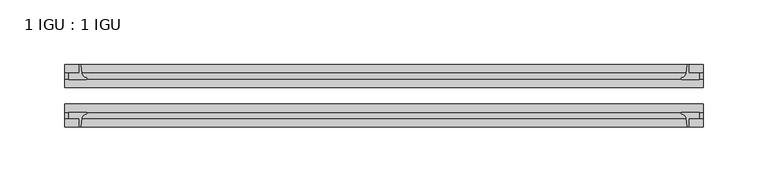
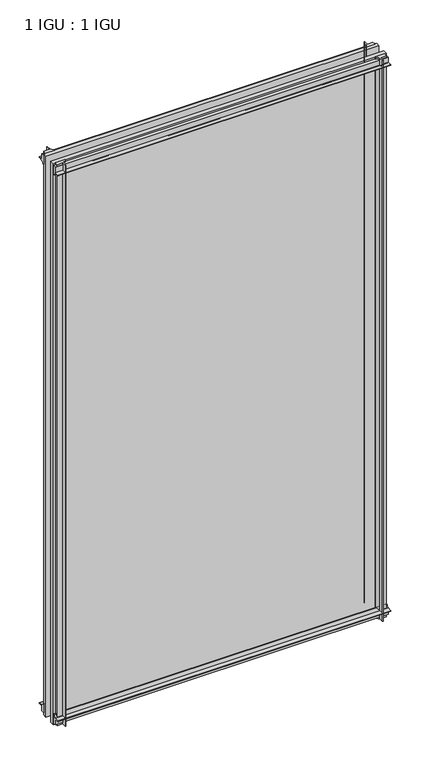
"""IFC4 building model written with IfcOpenShell, lengths in millimetres: plate geometry, 1 IGU : 1 IGU."""

from ifc_helpers import new_model, si_unit, point, frame, frame_2d, origin, place, context, project, spatial, polyline, circle_curve, trimmed, segment, composite_curve, outline, extrude, source, transform, mapped, element, save


def plate_1_igu_1_igu_194ef38a(model_context):
    return source(origin(), model_context, "Body", "SweptSolid", [
        extrude(outline(composite_curve([segment(polyline([(-42.3267187, -8.2068385), (-47.0892187, -8.2068385), (-47.0892187, 0.0), (-53.563779, 0.0)]), True, "CONTINUOUS"), segment(trimmed(circle_curve(frame_2d((-53.0328134, 0.3482823)), 0.635), [point((-53.563779, 0.0))], [point((-53.0575397, 0.9828007))], False, "CARTESIAN"), True, "CONTINUOUS"), segment(trimmed(circle_curve(frame_2d((-54.2310045, 31.0958559)), 30.1359106), [point((-53.0575397, 0.9828007))], [point((-47.0834032, 1.8198434))], True, "CARTESIAN"), True, "CONTINUOUS"), segment(trimmed(circle_curve(frame_2d((-48.2159797, 6.4587878)), 4.7752), [point((-47.0834032, 1.8198434))], [point((-43.578416, 5.3205707))], True, "CARTESIAN"), True, "CONTINUOUS"), segment(trimmed(circle_curve(frame_2d((-42.9617187, 5.169212)), 0.635), [point((-43.578416, 5.3205707))], [point((-42.3267187, 5.169212))], False, "CARTESIAN"), True, "CONTINUOUS"), segment(polyline([(-42.3267187, 5.169212), (-42.3267187, -8.2068385)]), True, "CONTINUOUS")], self_intersect=False)), frame((-246.0625, 0.0, 0.0), z_axis=(1.0, 0.0, 0.0), x_axis=(0.0, 1.0, 0.0)), (0.0, 0.0, 1.0), 492.125),
        extrude(outline(composite_curve([segment(polyline([(-16.9267187, -8.2068385), (-16.9267187, 5.169212)]), True, "CONTINUOUS"), segment(trimmed(circle_curve(frame_2d((-16.2917187, 5.169212)), 0.635), [point((-16.9267187, 5.169212))], [point((-15.6750215, 5.3205707))], False, "CARTESIAN"), True, "CONTINUOUS"), segment(trimmed(circle_curve(frame_2d((-11.0374578, 6.4587878)), 4.7752), [point((-15.6750215, 5.3205707))], [point((-12.1700343, 1.8198434))], True, "CARTESIAN"), True, "CONTINUOUS"), segment(trimmed(circle_curve(frame_2d((-5.022433, 31.0958559)), 30.1359106), [point((-12.1700343, 1.8198434))], [point((-6.1958978, 0.9828007))], True, "CARTESIAN"), True, "CONTINUOUS"), segment(trimmed(circle_curve(frame_2d((-6.2206241, 0.3482823)), 0.635), [point((-6.1958978, 0.9828007))], [point((-5.6896585, 0.0))], False, "CARTESIAN"), True, "CONTINUOUS"), segment(polyline([(-5.6896585, 0.0), (-12.1642187, 0.0), (-12.1642187, -8.2068385), (-16.9267187, -8.2068385)]), True, "CONTINUOUS")], self_intersect=False)), frame((-246.0625, 0.0, 0.0), z_axis=(1.0, 0.0, 0.0), x_axis=(0.0, 1.0, 0.0)), (0.0, 0.0, 1.0), 492.125),
        extrude(outline(composite_curve([segment(polyline([(-47.0892188, 854.0748985), (-47.0892188, 862.281737), (-42.3267188, 862.281737), (-42.3267188, 848.9056865)]), True, "CONTINUOUS"), segment(trimmed(circle_curve(frame_2d((-42.9617187, 848.9056865)), 0.635), [point((-42.3267188, 848.9056865))], [point((-43.578416, 848.7543278))], False, "CARTESIAN"), True, "CONTINUOUS"), segment(trimmed(circle_curve(frame_2d((-48.2159797, 847.6161107)), 4.7752), [point((-43.578416, 848.7543278))], [point((-47.0834032, 852.2550551))], True, "CARTESIAN"), True, "CONTINUOUS"), segment(trimmed(circle_curve(frame_2d((-54.2310045, 822.9790426)), 30.1359106), [point((-47.0834032, 852.2550551))], [point((-53.0575397, 853.0920978))], True, "CARTESIAN"), True, "CONTINUOUS"), segment(trimmed(circle_curve(frame_2d((-53.0328134, 853.7266162)), 0.635), [point((-53.0575397, 853.0920978))], [point((-53.563779, 854.0748985))], False, "CARTESIAN"), True, "CONTINUOUS"), segment(polyline([(-53.563779, 854.0748985), (-47.0892188, 854.0748985)]), True, "CONTINUOUS")], self_intersect=False)), frame((-246.0625, 0.0, 0.0), z_axis=(1.0, 0.0, 0.0), x_axis=(0.0, 1.0, 0.0)), (0.0, 0.0, 1.0), 492.125),
        extrude(outline(composite_curve([segment(polyline([(-12.1642187, 854.0748985), (-5.6896585, 854.0748985)]), True, "CONTINUOUS"), segment(trimmed(circle_curve(frame_2d((-6.2206241, 853.7266162)), 0.635), [point((-5.6896585, 854.0748985))], [point((-6.1958978, 853.0920978))], False, "CARTESIAN"), True, "CONTINUOUS"), segment(trimmed(circle_curve(frame_2d((-5.022433, 822.9790426)), 30.1359106), [point((-6.1958978, 853.0920978))], [point((-12.1700343, 852.2550551))], True, "CARTESIAN"), True, "CONTINUOUS"), segment(trimmed(circle_curve(frame_2d((-11.0374578, 847.6161107)), 4.7752), [point((-12.1700343, 852.2550551))], [point((-15.6750215, 848.7543278))], True, "CARTESIAN"), True, "CONTINUOUS"), segment(trimmed(circle_curve(frame_2d((-16.2917188, 848.9056865)), 0.635), [point((-15.6750215, 848.7543278))], [point((-16.9267188, 848.9056865))], False, "CARTESIAN"), True, "CONTINUOUS"), segment(polyline([(-16.9267188, 848.9056865), (-16.9267187, 862.281737), (-12.1642187, 862.281737), (-12.1642187, 854.0748985)]), True, "CONTINUOUS")], self_intersect=False)), frame((-246.0625, 0.0, 0.0), z_axis=(1.0, 0.0, 0.0), x_axis=(0.0, 1.0, 0.0)), (0.0, 0.0, 1.0), 492.125),
        extrude(outline(composite_curve([segment(polyline([(234.95, -5.6896585), (234.95, -12.1642188), (243.1568385, -12.1642188), (243.1568385, -16.9267187), (229.780788, -16.9267187)]), True, "CONTINUOUS"), segment(trimmed(circle_curve(frame_2d((229.780788, -16.2917188)), 0.635), [point((229.780788, -16.9267187))], [point((229.6294293, -15.6750215))], False, "CARTESIAN"), True, "CONTINUOUS"), segment(trimmed(circle_curve(frame_2d((228.4912122, -11.0374578)), 4.7752), [point((229.6294293, -15.6750215))], [point((233.1301566, -12.1700343))], True, "CARTESIAN"), True, "CONTINUOUS"), segment(trimmed(circle_curve(frame_2d((203.8541441, -5.022433)), 30.1359106), [point((233.1301566, -12.1700343))], [point((233.9671993, -6.1958978))], True, "CARTESIAN"), True, "CONTINUOUS"), segment(trimmed(circle_curve(frame_2d((234.6017177, -6.2206241)), 0.635), [point((233.9671993, -6.1958978))], [point((234.95, -5.6896585))], False, "CARTESIAN"), True, "CONTINUOUS")], self_intersect=False)), frame((0.0, 0.0, -11.1125), z_axis=(0.0, 0.0, 1.0), x_axis=(1.0, 0.0, 0.0)), (0.0, 0.0, 1.0), 876.2998985),
        extrude(outline(composite_curve([segment(trimmed(circle_curve(frame_2d((234.6017177, -53.0328134)), 0.635), [point((234.95, -53.563779))], [point((233.9671993, -53.0575397))], False, "CARTESIAN"), True, "CONTINUOUS"), segment(trimmed(circle_curve(frame_2d((203.8541441, -54.2310045)), 30.1359106), [point((233.9671993, -53.0575397))], [point((233.1301566, -47.0834032))], True, "CARTESIAN"), True, "CONTINUOUS"), segment(trimmed(circle_curve(frame_2d((228.4912122, -48.2159797)), 4.7752), [point((233.1301566, -47.0834032))], [point((229.6294293, -43.578416))], True, "CARTESIAN"), True, "CONTINUOUS"), segment(trimmed(circle_curve(frame_2d((229.780788, -42.9617187)), 0.635), [point((229.6294293, -43.578416))], [point((229.780788, -42.3267187))], False, "CARTESIAN"), True, "CONTINUOUS"), segment(polyline([(229.780788, -42.3267187), (243.1568385, -42.3267187), (243.1568385, -47.0892188), (234.95, -47.0892188), (234.95, -53.563779)]), True, "CONTINUOUS")], self_intersect=False)), frame((0.0, 0.0, -11.1125), z_axis=(0.0, 0.0, 1.0), x_axis=(1.0, 0.0, 0.0)), (0.0, 0.0, 1.0), 876.2998985),
        extrude(outline(composite_curve([segment(trimmed(circle_curve(frame_2d((-234.6017177, -6.2206241)), 0.635), [point((-234.95, -5.6896585))], [point((-233.9671993, -6.1958978))], False, "CARTESIAN"), True, "CONTINUOUS"), segment(trimmed(circle_curve(frame_2d((-203.8541441, -5.022433)), 30.1359106), [point((-233.9671993, -6.1958978))], [point((-233.1301566, -12.1700343))], True, "CARTESIAN"), True, "CONTINUOUS"), segment(trimmed(circle_curve(frame_2d((-228.4912122, -11.0374578)), 4.7752), [point((-233.1301566, -12.1700343))], [point((-229.6294293, -15.6750215))], True, "CARTESIAN"), True, "CONTINUOUS"), segment(trimmed(circle_curve(frame_2d((-229.780788, -16.2917187)), 0.635), [point((-229.6294293, -15.6750215))], [point((-229.780788, -16.9267187))], False, "CARTESIAN"), True, "CONTINUOUS"), segment(polyline([(-229.780788, -16.9267187), (-243.1568385, -16.9267187), (-243.1568385, -12.1642187), (-234.95, -12.1642187), (-234.95, -5.6896585)]), True, "CONTINUOUS")], self_intersect=False)), frame((0.0, 0.0, -11.1125), z_axis=(0.0, 0.0, 1.0), x_axis=(1.0, 0.0, 0.0)), (0.0, 0.0, 1.0), 876.2998985),
        extrude(outline(composite_curve([segment(polyline([(-234.95, -53.563779), (-234.95, -47.0892187), (-243.1568385, -47.0892187), (-243.1568385, -42.3267188), (-229.780788, -42.3267188)]), True, "CONTINUOUS"), segment(trimmed(circle_curve(frame_2d((-229.780788, -42.9617187)), 0.635), [point((-229.780788, -42.3267188))], [point((-229.6294293, -43.578416))], False, "CARTESIAN"), True, "CONTINUOUS"), segment(trimmed(circle_curve(frame_2d((-228.4912122, -48.2159797)), 4.7752), [point((-229.6294293, -43.578416))], [point((-233.1301566, -47.0834032))], True, "CARTESIAN"), True, "CONTINUOUS"), segment(trimmed(circle_curve(frame_2d((-203.8541441, -54.2310045)), 30.1359106), [point((-233.1301566, -47.0834032))], [point((-233.9671993, -53.0575397))], True, "CARTESIAN"), True, "CONTINUOUS"), segment(trimmed(circle_curve(frame_2d((-234.6017177, -53.0328134)), 0.635), [point((-233.9671993, -53.0575397))], [point((-234.95, -53.563779))], False, "CARTESIAN"), True, "CONTINUOUS")], self_intersect=False)), frame((0.0, 0.0, -11.1125), z_axis=(0.0, 0.0, 1.0), x_axis=(1.0, 0.0, 0.0)), (0.0, 0.0, 1.0), 876.2998985),
        extrude(outline(polyline([(246.0625, -16.9267187), (246.0625, -23.2259187), (-246.0625, -23.2259187), (-246.0625, -16.9267187), (246.0625, -16.9267187)])), frame((0.0, 0.0, -11.1125), z_axis=(0.0, 0.0, 1.0), x_axis=(1.0, 0.0, 0.0)), (0.0, 0.0, 1.0), 876.2998985),
        extrude(outline(polyline([(246.0625, -36.0275187), (246.0625, -42.3267187), (-246.0625, -42.3267187), (-246.0625, -36.0275187), (246.0625, -36.0275187)])), frame((0.0, 0.0, -11.1125), z_axis=(0.0, 0.0, 1.0), x_axis=(1.0, 0.0, 0.0)), (0.0, 0.0, 1.0), 876.2998985),
    ])


if __name__ == "__main__":
    model = new_model("IFC4")
    model_context = context("Model", 3, world=origin())
    ifc_project = project(units=[si_unit("LENGTHUNIT", "METRE", prefix="MILLI")], contexts=[model_context])
    site = spatial("IfcSite", under=ifc_project)
    building = spatial("IfcBuilding", under=site)
    placement = place(None, origin())
    plate_1_igu_1_igu_shape = plate_1_igu_1_igu_194ef38a(model_context)
    element("IfcPlate", 1, ObjectType="1 IGU : 1 IGU", at=placement, inside=building, context=model_context, shape_type="MappedRepresentation", body=[
        mapped(plate_1_igu_1_igu_shape, transform((0.0, 0.0, 0.0), x_axis=(1.0, 0.0, 0.0), y_axis=(0.0, 1.0, 0.0), z_axis=(0.0, 0.0, 1.0))),
    ])
    save(model, "model.ifc")
